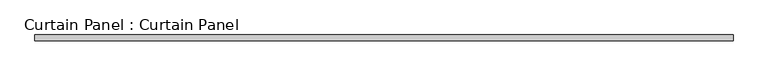
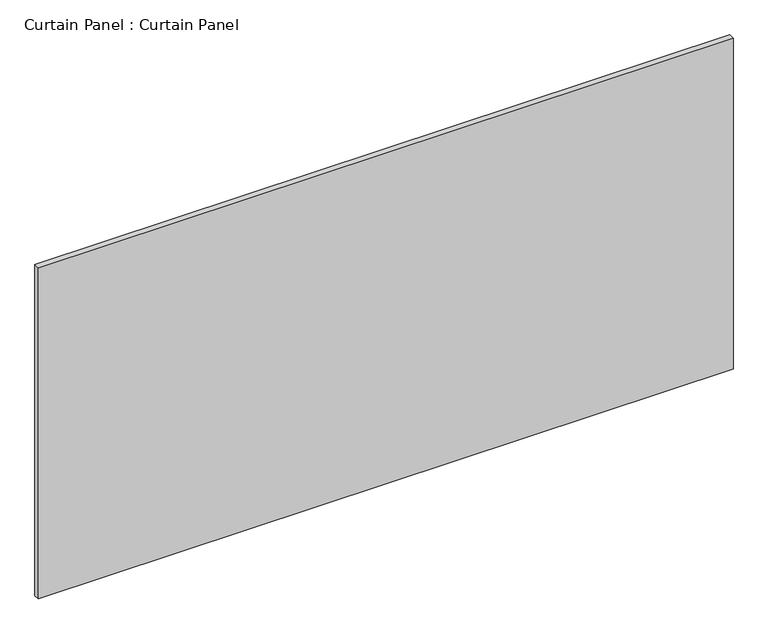
"""IFC4 building model written with IfcOpenShell, lengths in millimetres: plate geometry, Curtain Panel : Curtain Panel."""

import ifcopenshell
import ifcopenshell.guid

model = None  # the IFC model being written
_history = None  # IfcOwnerHistory: only IFC2X3 demands one
_inside = {}  # id of a spatial element -> (the spatial element, [elements in it])
_under = {}  # id of a project, library or spatial element -> (it, [spatial elements below it])
_declared = {}  # id of a project -> (the project, [libraries it declares])
_typed = {}  # id of a type object -> (the type object, [elements of that type])
_made_of = {}  # id of a material, layer set ... -> (it, [elements and type objects made of it])


def new_model(schema):
    """Start an empty IFC model of exactly this schema.

    Asked for "IFC4X3", IfcOpenShell would pick the latest addendum, in which some entities
    have other attributes; the version numbers below select the first issue.
    IFC2X3 requires an IfcOwnerHistory on every rooted entity: one is made here for all.
    """
    global model, _history
    if schema == "IFC4X3":
        model = ifcopenshell.file(schema_version=(4, 3, 0, 0))
    else:
        model = ifcopenshell.file(schema=schema)
    _inside.clear()
    _under.clear()
    _declared.clear()
    _typed.clear()
    _made_of.clear()
    _history = None
    if model.schema == "IFC2X3":
        org = make("IfcOrganization", Name="unknown")
        user = make(
            "IfcPersonAndOrganization",
            ThePerson=make("IfcPerson", FamilyName="unknown"),
            TheOrganization=org,
        )
        app = make(
            "IfcApplication",
            ApplicationDeveloper=org,
            Version="unknown",
            ApplicationFullName="unknown",
            ApplicationIdentifier="unknown",
        )
        _history = make(
            "IfcOwnerHistory",
            OwningUser=user,
            OwningApplication=app,
            ChangeAction="ADDED",
            CreationDate=0,
        )
    return model


def make(cls, **values):
    """One entity of the class cls with the attributes given. An attribute that is None is left unset."""
    return model.create_entity(
        cls, **{name: value for name, value in values.items() if value is not None}
    )


def rooted(cls, **values):
    """An entity with a GlobalId (a new one), such as an element, a storey or a relation."""
    return make(cls, GlobalId=ifcopenshell.guid.new(), OwnerHistory=_history, **values)


def si_unit(unit_type, name, prefix=None):
    """IfcSIUnit, for example si_unit("LENGTHUNIT", "METRE", prefix="MILLI")."""
    return make("IfcSIUnit", UnitType=unit_type, Prefix=prefix, Name=name)


def assignment(units):
    """IfcUnitAssignment: the units of a project."""
    return None if units is None else make("IfcUnitAssignment", Units=units)


def point(xyz):
    """IfcCartesianPoint."""
    return None if xyz is None else make("IfcCartesianPoint", Coordinates=xyz)


def direction(xyz):
    """IfcDirection."""
    return None if xyz is None else make("IfcDirection", DirectionRatios=xyz)


def frame(location, z_axis=None, x_axis=None):
    """IfcAxis2Placement3D, a coordinate frame: its origin and axes. An axis left out is left unset."""
    return make(
        "IfcAxis2Placement3D",
        Location=point(location),
        Axis=direction(z_axis),
        RefDirection=direction(x_axis),
    )


def origin():
    """The frame at (0, 0, 0) with its axes left unset."""
    return frame((0.0, 0.0, 0.0))


def place(relative_to, where):
    """IfcLocalPlacement: puts the frame where relative to a parent placement (None: the world)."""
    return make(
        "IfcLocalPlacement", PlacementRelTo=relative_to, RelativePlacement=where
    )


def context(
    kind, dimensions, precision=None, world=None, true_north=None, identifier=None
):
    """IfcGeometricRepresentationContext, for example the 3D "Model" context."""
    return make(
        "IfcGeometricRepresentationContext",
        ContextIdentifier=identifier,
        ContextType=kind,
        CoordinateSpaceDimension=dimensions,
        Precision=precision,
        WorldCoordinateSystem=world,
        TrueNorth=true_north,
    )


def project(units=None, contexts=None):
    """IfcProject with its units and contexts."""
    return rooted(
        "IfcProject",
        Name="project",
        RepresentationContexts=contexts,
        UnitsInContext=assignment(units),
    )


def spatial(cls, under=None, at=None, **own):
    """A site, building, storey or space (cls), placed at a placement, below another one or the project."""
    s = rooted(cls, ObjectPlacement=at, **own)
    if under is not None:
        _under.setdefault(under.id(), (under, []))[1].append(s)
    return s


def polyline(points):
    """IfcPolyline through the points."""
    return make("IfcPolyline", Points=[point(p) for p in points])


def outline(outer, holes=None, kind="AREA"):
    """IfcArbitraryClosedProfileDef: a profile drawn as a closed curve; with holes, ...WithVoids."""
    if holes is None:
        return make("IfcArbitraryClosedProfileDef", ProfileType=kind, OuterCurve=outer)
    return make(
        "IfcArbitraryProfileDefWithVoids",
        ProfileType=kind,
        OuterCurve=outer,
        InnerCurves=holes,
    )


def extrude(swept, where, along, depth):
    """IfcExtrudedAreaSolid: the profile swept, set in the frame where, extruded along a direction by depth."""
    return make(
        "IfcExtrudedAreaSolid",
        SweptArea=swept,
        Position=where,
        ExtrudedDirection=direction(along),
        Depth=depth,
    )


def shape(context_of_items, identifier, shape_type, items):
    """IfcShapeRepresentation: the items that make up one representation, for example the "Body"."""
    return make(
        "IfcShapeRepresentation",
        ContextOfItems=context_of_items,
        RepresentationIdentifier=identifier,
        RepresentationType=shape_type,
        Items=items,
    )


def source(mapping_origin, context_of_items, identifier, shape_type, items):
    """IfcRepresentationMap: a shape defined once, which mapped items show again and again."""
    return make(
        "IfcRepresentationMap",
        MappingOrigin=mapping_origin,
        MappedRepresentation=shape(context_of_items, identifier, shape_type, items),
    )


def transform(
    local_origin,
    x_axis=None,
    y_axis=None,
    z_axis=None,
    scale=None,
    scale2=None,
    scale3=None,
    uniform=True,
):
    """IfcCartesianTransformationOperator3D, or its non-uniform kind. x_axis, y_axis, z_axis: its Axis1, 2, 3."""
    if uniform:
        return make(
            "IfcCartesianTransformationOperator3D",
            Axis1=direction(x_axis),
            Axis2=direction(y_axis),
            LocalOrigin=point(local_origin),
            Scale=scale,
            Axis3=direction(z_axis),
        )
    return make(
        "IfcCartesianTransformationOperator3DnonUniform",
        Axis1=direction(x_axis),
        Axis2=direction(y_axis),
        LocalOrigin=point(local_origin),
        Scale=scale,
        Axis3=direction(z_axis),
        Scale2=scale2,
        Scale3=scale3,
    )


def mapped(mapping_source, mapping_target):
    """IfcMappedItem: shows the shape of a source again, moved by a transform."""
    return make(
        "IfcMappedItem", MappingSource=mapping_source, MappingTarget=mapping_target
    )


def made_of(thing, what):
    """Note that an element or type object is made of a material, layer set ...; save() writes the relation."""
    if what is not None:
        _made_of.setdefault(what.id(), (what, []))[1].append(thing)
    return thing


def element(
    cls,
    number,
    at=None,
    inside=None,
    cuts=None,
    type_object=None,
    material=None,
    context=None,
    identifier="Body",
    shape_type=None,
    held_by="IfcProductDefinitionShape",
    body=None,
    shapes=None,
    **own,
):
    """One element of the class cls, such as IfcWall. Its Tag is "e" and its number.

    at: its placement. inside: the storey or other place that contains it. cuts: it is an
    opening in that element (IfcRelVoidsElement). A single representation is given by context,
    identifier, shape_type and body (its items); several are given by shapes. held_by: the class
    of the entity that holds the representations. save() writes the other relations.
    """
    e = rooted(cls, Tag="e%d" % number, ObjectPlacement=at, **own)
    if body is not None:
        shapes = [shape(context, identifier, shape_type, body)]
    if shapes is not None:
        e.Representation = make(held_by, Representations=shapes)
    if inside is not None:
        _inside.setdefault(inside.id(), (inside, []))[1].append(e)
    if cuts is not None:
        rooted(
            "IfcRelVoidsElement", RelatingBuildingElement=cuts, RelatedOpeningElement=e
        )
    if type_object is not None:
        _typed.setdefault(type_object.id(), (type_object, []))[1].append(e)
    return made_of(e, material)


def aggregate(whole, parts):
    """IfcRelAggregates: a whole, such as a stair, and the parts it consists of."""
    return rooted("IfcRelAggregates", RelatingObject=whole, RelatedObjects=parts)


def save(model, path):
    """Write the relations noted so far, then the file.

    IfcRelAggregates (storeys below a building ...), IfcRelContainedInSpatialStructure (elements
    in a storey), IfcRelDefinesByType, IfcRelAssociatesMaterial and IfcRelDeclares: one each for
    every whole, place, type object, material and project.
    """
    for whole, parts in _under.values():
        aggregate(whole, parts)
    for where, things in _inside.values():
        rooted(
            "IfcRelContainedInSpatialStructure",
            RelatedElements=things,
            RelatingStructure=where,
        )
    for kind, things in _typed.values():
        rooted("IfcRelDefinesByType", RelatedObjects=things, RelatingType=kind)
    for what, things in _made_of.values():
        rooted("IfcRelAssociatesMaterial", RelatedObjects=things, RelatingMaterial=what)
    for by, libraries in _declared.values():
        rooted("IfcRelDeclares", RelatingContext=by, RelatedDefinitions=libraries)
    model.write(path)


def curtain_panel_curtain_panel_9318b543(model_context):
    return source(origin(), model_context, "Body", "SweptSolid", [
        extrude(outline(polyline([(-111623.8096152, -9130.4431787), (-114573.4305895, -9130.4431787), (-114573.4305895, -9105.0431787), (-111623.8096152, -9105.0431787), (-111623.8096152, -9130.4431787)])), frame((0.0, 0.0, 1593.453125), z_axis=(0.0, 0.0, 1.0), x_axis=(1.0, 0.0, 0.0)), (0.0, 0.0, 1.0), 1485.9),
    ])


if __name__ == "__main__":
    model = new_model("IFC4")
    model_context = context("Model", 3, world=origin())
    ifc_project = project(units=[si_unit("LENGTHUNIT", "METRE", prefix="MILLI")], contexts=[model_context])
    site = spatial("IfcSite", under=ifc_project)
    building = spatial("IfcBuilding", under=site)
    placement = place(None, origin())
    curtain_panel_curtain_panel_shape = curtain_panel_curtain_panel_9318b543(model_context)
    element("IfcPlate", 1, ObjectType="Curtain Panel : Curtain Panel", at=placement, inside=building, context=model_context, shape_type="MappedRepresentation", body=[
        mapped(curtain_panel_curtain_panel_shape, transform((0.0, 0.0, 0.0), x_axis=(1.0, 0.0, 0.0), y_axis=(0.0, 1.0, 0.0), z_axis=(0.0, 0.0, 1.0))),
    ])
    save(model, "model.ifc")
